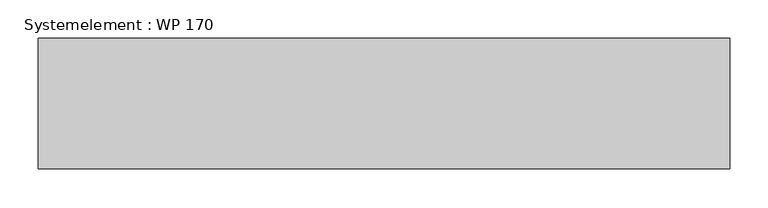
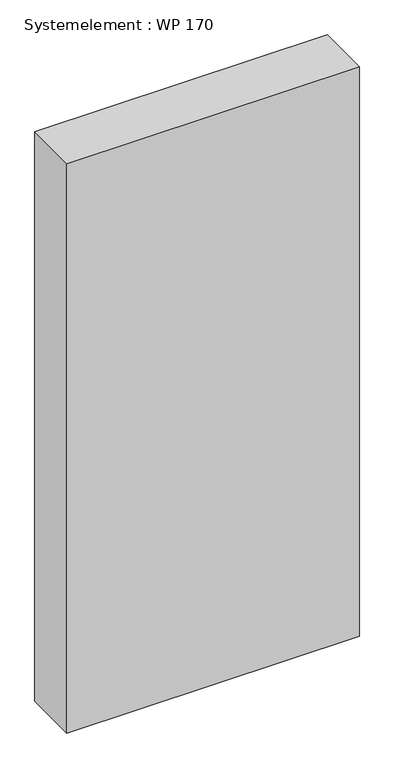
"""IFC4 building model written with IfcOpenShell, lengths in millimetres: plate geometry, Systemelement : WP 170."""

from ifc_helpers import new_model, si_unit, origin, origin_with_axes, place, context, project, spatial, polyline, outline, extrude, source, transform, mapped, element, save


def systemelement_wp_170_b6051862(model_context):
    return source(origin(), model_context, "Body", "SweptSolid", [
        extrude(outline(polyline([(450.0, -170.0), (-450.0, -170.0), (-450.0, 0.0), (450.0, 0.0), (450.0, -170.0)])), origin_with_axes(), (0.0, 0.0, 1.0), 1851.6147161),
    ])


if __name__ == "__main__":
    model = new_model("IFC4")
    model_context = context("Model", 3, world=origin())
    ifc_project = project(units=[si_unit("LENGTHUNIT", "METRE", prefix="MILLI")], contexts=[model_context])
    site = spatial("IfcSite", under=ifc_project)
    building = spatial("IfcBuilding", under=site)
    placement = place(None, origin())
    systemelement_wp_170_shape = systemelement_wp_170_b6051862(model_context)
    element("IfcPlate", 1, ObjectType="Systemelement : WP 170", at=placement, inside=building, context=model_context, shape_type="MappedRepresentation", body=[
        mapped(systemelement_wp_170_shape, transform((0.0, 0.0, 0.0), x_axis=(1.0, 0.0, 0.0), y_axis=(0.0, 1.0, 0.0), z_axis=(0.0, 0.0, 1.0))),
    ])
    save(model, "model.ifc")
